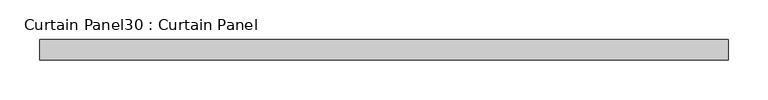
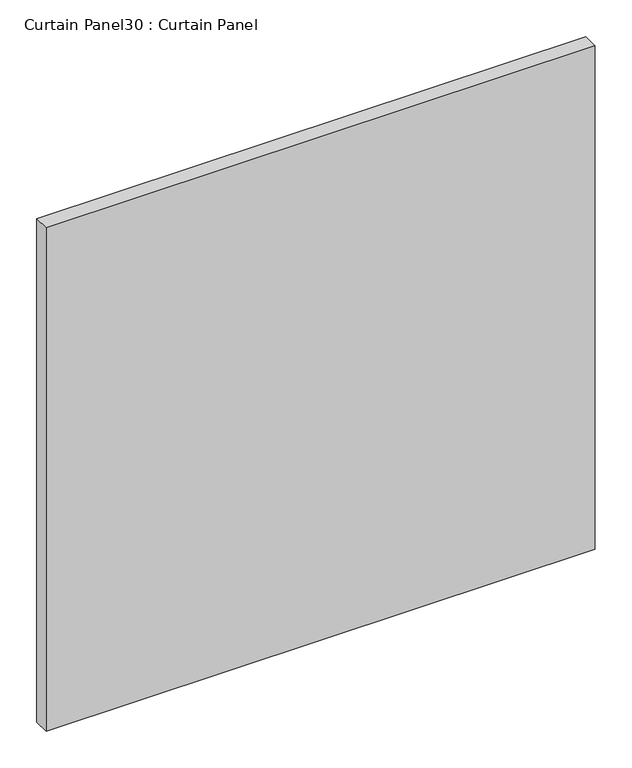
"""IFC4 building model written with IfcOpenShell, lengths in millimetres: plate geometry, Curtain Panel30 : Curtain Panel."""

from ifc_helpers import new_model, si_unit, frame, origin, place, context, project, spatial, polyline, outline, extrude, source, transform, mapped, element, save


def curtain_panel30_curtain_panel_aee19923(model_context):
    return source(origin(), model_context, "Body", "SweptSolid", [
        extrude(outline(polyline([(40363.7172436, 2225.3654634), (39499.8037234, 2225.3654634), (39499.8037234, 2250.7654634), (40363.7172436, 2250.7654634), (40363.7172436, 2225.3654634)])), frame((0.0, 0.0, 1212.0675458), z_axis=(0.0, 0.0, 1.0), x_axis=(1.0, 0.0, 0.0)), (0.0, 0.0, 1.0), 837.0355428),
    ])


if __name__ == "__main__":
    model = new_model("IFC4")
    model_context = context("Model", 3, world=origin())
    ifc_project = project(units=[si_unit("LENGTHUNIT", "METRE", prefix="MILLI")], contexts=[model_context])
    site = spatial("IfcSite", under=ifc_project)
    building = spatial("IfcBuilding", under=site)
    placement = place(None, origin())
    curtain_panel30_curtain_panel_shape = curtain_panel30_curtain_panel_aee19923(model_context)
    element("IfcPlate", 1, ObjectType="Curtain Panel30 : Curtain Panel", at=placement, inside=building, context=model_context, shape_type="MappedRepresentation", body=[
        mapped(curtain_panel30_curtain_panel_shape, transform((0.0, 0.0, 0.0), x_axis=(1.0, 0.0, 0.0), y_axis=(0.0, 1.0, 0.0), z_axis=(0.0, 0.0, 1.0))),
    ])
    save(model, "model.ifc")
